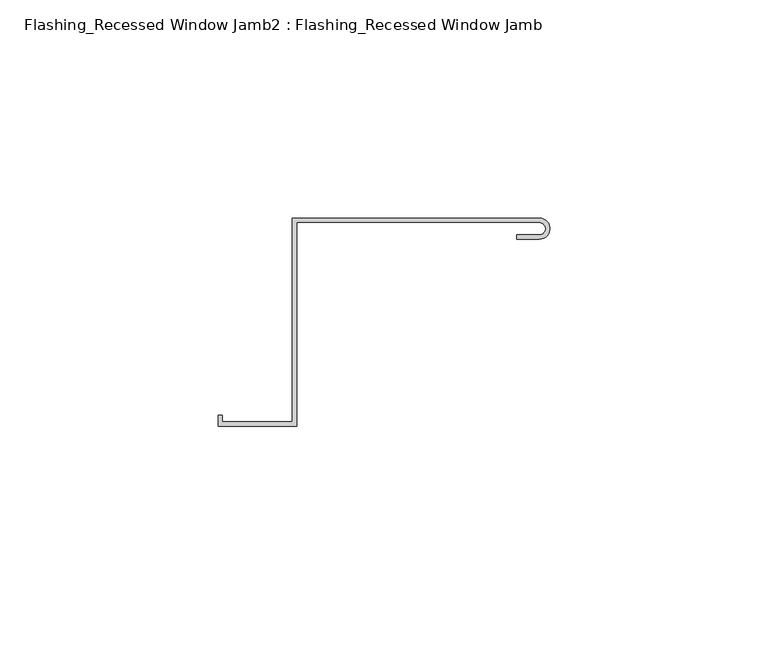
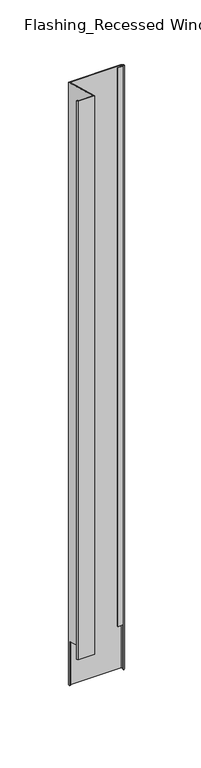
"""IFC4 building model written with IfcOpenShell, lengths in millimetres: proxy geometry, Flashing_Recessed Window Jamb2 : Flashing_Recessed Window Jamb."""

from ifc_helpers import new_model, si_unit, frame, origin, place, context, project, spatial, polyline, circle_curve, ellipse_curve, source, transform, mapped, element, save
from ifc_brep_helpers import plane_surface, cylinder_surface, revolved_surface, advanced_brep


def flashing_recessed_window_jamb2_flashing_recessed_window_jamb_9e744ca7(model_context):
    return source(origin(), model_context, "Body", "AdvancedBrep", [
        advanced_brep(
        [(9683.1035388, 657.7344915, -1036.7382524), (9627.4791786, 657.7344915, -1036.7382524), (9627.4791786, 656.8026399, -1036.7382524), (9626.4791786, 656.8026399, -1036.7382524), (9626.4791786, 658.7344915, -1036.7382524), (9683.1035388, 658.7344915, -1036.7382524), (9683.6606696, 653.9674945, -1036.7382524), (9683.6606696, 655.0165848, -1036.7382524), (9626.4791786, 658.7344915, -343.2151173), (9683.1035388, 658.7344915, -343.2151173), (9626.4791786, 656.8026399, -985.662203), (9626.4791786, 612.0490096, -973.6705039), (9626.4791786, 612.0490096, -330.7057801), (9610.4479286, 612.0490096, -330.7057801), (9610.4479286, 612.0490096, -973.6705039), (9610.4479286, 613.5934881, -331.1196219), (9610.4479286, 613.5934881, -974.0843457), (9609.4479286, 613.5934881, -331.1196219), (9609.4479286, 613.5934881, -974.0843457), (9609.4479286, 611.0490096, -330.4378309), (9609.4479286, 611.0490096, -973.4025548), (9627.4791786, 611.0490096, -330.4378309), (9627.4791786, 611.0490096, -973.4025548), (9627.4791786, 657.7344915, -342.9471681), (9627.4791786, 656.8026399, -985.662203), (9683.1035388, 657.7344915, -342.9471681), (9683.1035388, 653.9023812, -341.9203573), (9677.8896212, 653.9023812, -341.9203573), (9677.8896212, 653.9023812, -984.8850811), (9683.1035388, 653.9023812, -984.8850811), (9677.8896212, 654.9023812, -342.1883065), (9677.8896212, 654.9023812, -985.1530303), (9683.1035388, 654.9023812, -342.1883065), (9683.1035388, 654.9023812, -985.1530303), (9683.6606696, 655.0165848, -985.183631), (9683.6606696, 653.9674945, -984.9025281)],
        [
            (0, 1),
            (1, 2),
            (2, 3),
            (3, 4),
            (4, 5),
            (5, 6, circle_curve(frame((9683.1035388, 656.3184364, -1036.7382524), z_axis=(0.0, 0.0, -1.0), x_axis=(1.0, 0.0, 0.0)), 2.4160552)),
            (6, 7),
            (7, 0, circle_curve(frame((9683.1035388, 656.3184364, -1036.7382524), z_axis=(0.0, 0.0, 1.0), x_axis=(1.0, 0.0, 0.0)), 1.4160552)),
            (4, 8),
            (8, 9),
            (9, 5),
            (3, 10),
            (10, 11),
            (11, 12),
            (12, 8),
            (13, 12),
            (11, 14),
            (14, 13),
            (15, 13),
            (14, 16),
            (16, 15),
            (17, 15),
            (16, 18),
            (18, 17),
            (19, 17),
            (18, 20),
            (20, 19),
            (21, 19),
            (20, 22),
            (22, 21),
            (1, 23),
            (23, 21),
            (22, 24),
            (24, 2),
            (0, 25),
            (25, 23),
            (26, 27),
            (27, 28),
            (28, 29),
            (29, 26),
            (27, 30),
            (30, 31),
            (31, 28),
            (30, 32),
            (32, 33),
            (33, 31),
            (7, 34),
            (34, 33, ellipse_curve(frame((9683.1035388, 656.3184364, -985.5324611), z_axis=(0.0, -0.25881904510252046, -0.9659258262890684), x_axis=(0.0, 0.9659258262890684, -0.25881904510251985)), 1.4660082, 1.4160552)),
            (32, 25, ellipse_curve(frame((9683.1035388, 656.3184364, -342.5677373), z_axis=(0.0, 0.2588190451025206, 0.9659258262890683), x_axis=(0.0, 0.9659258262890683, -0.25881904510252063)), 1.4660082, 1.4160552)),
            (9, 26, ellipse_curve(frame((9683.1035388, 656.3184364, -342.5677373), z_axis=(0.0, -0.2588190451025206, -0.9659258262890683), x_axis=(0.0, -0.9659258262890683, 0.25881904510252063)), 2.5012844, 2.4160552)),
            (29, 35, ellipse_curve(frame((9683.1035388, 656.3184364, -985.5324611), z_axis=(0.0, 0.25881904510252046, 0.9659258262890684), x_axis=(0.0, -0.9659258262890684, 0.25881904510251985)), 2.5012844, 2.4160552)),
            (35, 6),
            (35, 34),
            (10, 24),
        ],
        [
            plane_surface(frame((9611.4791786, 612.0490096, -1036.7382524), z_axis=(0.0, 0.0, -1.0), x_axis=(1.0, 0.0, 0.0))),
            plane_surface(frame((9683.1035388, 658.7344915, -277.6721404), z_axis=(0.0, 1.0, 0.0), x_axis=(0.0, 0.0, -1.0))),
            plane_surface(frame((9626.4791786, 658.7344915, -277.6721404), z_axis=(-1.0, 0.0, 0.0), x_axis=(0.0, 0.0, -1.0))),
            plane_surface(frame((9626.4791786, 612.0490096, -277.6721404), z_axis=(0.0, 1.0, 0.0), x_axis=(0.0, 0.0, -1.0))),
            plane_surface(frame((9610.4479286, 612.0490096, -277.6721404), z_axis=(1.0, 0.0, 0.0), x_axis=(0.0, 0.0, -1.0))),
            plane_surface(frame((9610.4479286, 613.5934881, -277.6721404), z_axis=(0.0, 1.0, 0.0), x_axis=(0.0, 0.0, -1.0))),
            plane_surface(frame((9609.4479286, 613.5934881, -277.6721404), z_axis=(-1.0, 0.0, 0.0), x_axis=(0.0, 0.0, -1.0))),
            plane_surface(frame((9609.4479286, 611.0490096, -277.6721404), z_axis=(0.0, -1.0, 0.0), x_axis=(0.0, 0.0, -1.0))),
            plane_surface(frame((9627.4791786, 611.0490096, -277.6721404), z_axis=(1.0, 0.0, 0.0), x_axis=(0.0, 0.0, -1.0))),
            plane_surface(frame((9627.4791786, 657.7344915, -277.6721404), z_axis=(0.0, -1.0, 0.0), x_axis=(0.0, 0.0, -1.0))),
            plane_surface(frame((9677.8896212, 653.9023812, -277.6721404), z_axis=(0.0, -1.0, 0.0), x_axis=(0.0, 0.0, -1.0))),
            plane_surface(frame((9677.8896212, 654.9023812, -277.6721404), z_axis=(-1.0, 0.0, 0.0), x_axis=(0.0, 0.0, -1.0))),
            plane_surface(frame((9683.1035388, 654.9023812, -277.6721404), z_axis=(0.0, 1.0, 0.0), x_axis=(0.0, 0.0, -1.0))),
            revolved_surface(polyline([(9684.519594, 656.3184364, -1036.7382524), (9684.519594, 656.3184364, -342.1883064575635)]), (9683.1035388, 656.3184364, -1036.7382524), (0.0, 0.0, -1.0)),
            cylinder_surface(frame((9683.1035388, 656.3184364, -1036.7382524), z_axis=(0.0, 0.0, 1.0), x_axis=(1.0, 0.0, 0.0)), 2.4160552),
            plane_surface(frame((9516.4791786, 682.2658889, -349.5203362), z_axis=(0.0, 0.2588190451025206, 0.9659258262890683), x_axis=(1.0, 0.0, 0.0))),
            plane_surface(frame((9683.6606696, 985.9989484, -1301.2959937), z_axis=(-1.0, 0.0, 0.0), x_axis=(0.0, 0.9659258262890683, -0.2588190451025206))),
            plane_surface(frame((9516.4791786, 56.8026399, -824.8926876), z_axis=(0.0, -0.25881904510252046, -0.9659258262890684), x_axis=(1.0, 0.0, 0.0))),
            plane_surface(frame((9516.4791786, 656.8026399, -985.662203), z_axis=(0.0, -1.0, 0.0), x_axis=(1.0, 0.0, 0.0))),
        ],
        [
            (0, [[1, 2, 3, 4, 5, 6, 7, 8]]),
            (1, [[-5, 9, 10, 11]]),
            (2, [[-9, -4, 12, 13, 14, 15]]),
            (3, [[16, -14, 17, 18]]),
            (4, [[19, -18, 20, 21]]),
            (5, [[22, -21, 23, 24]]),
            (6, [[25, -24, 26, 27]]),
            (7, [[28, -27, 29, 30]]),
            (8, [[31, 32, -30, 33, 34, -2]]),
            (9, [[-1, 35, 36, -31]]),
            (10, [[37, 38, 39, 40]]),
            (11, [[41, 42, 43, -38]]),
            (12, [[44, 45, 46, -42]]),
            (13, [[-35, -8, 47, 48, -45, 49]]),
            (14, [[-11, 50, -40, 51, 52, -6]]),
            (15, [[-10, -15, -16, -19, -22, -25, -28, -32, -36, -49, -44, -41, -37, -50]]),
            (16, [[53, -47, -7, -52]]),
            (17, [[-53, -51, -39, -43, -46, -48]]),
            (17, [[54, -33, -29, -26, -23, -20, -17, -13]]),
            (18, [[-54, -12, -3, -34]]),
        ],
    ),
    ])


if __name__ == "__main__":
    model = new_model("IFC4")
    model_context = context("Model", 3, world=origin())
    ifc_project = project(units=[si_unit("LENGTHUNIT", "METRE", prefix="MILLI")], contexts=[model_context])
    site = spatial("IfcSite", under=ifc_project)
    building = spatial("IfcBuilding", under=site)
    placement = place(None, origin())
    flashing_recessed_window_jamb2_flashing_recessed_window_jamb_shape = flashing_recessed_window_jamb2_flashing_recessed_window_jamb_9e744ca7(model_context)
    element("IfcBuildingElementProxy", 1, Name="Flashing_Recessed Window Jamb2 : Flashing_Recessed Window Jamb", ObjectType="Flashing_Recessed Window Jamb2 : Flashing_Recessed Window Jamb", at=placement, inside=building, context=model_context, shape_type="MappedRepresentation", body=[
        mapped(flashing_recessed_window_jamb2_flashing_recessed_window_jamb_shape, transform((0.0, 0.0, 0.0), x_axis=(1.0, 0.0, 0.0), y_axis=(0.0, 1.0, 0.0), z_axis=(0.0, 0.0, 1.0))),
    ])
    save(model, "model.ifc")
